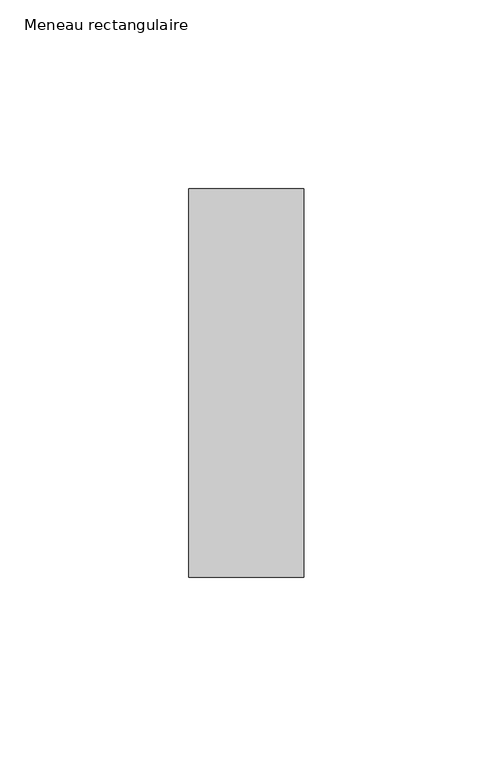
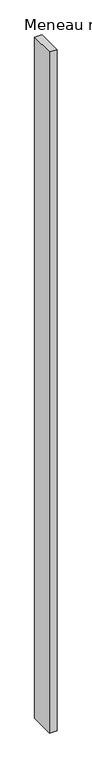
"""IFC4 building model written with IfcOpenShell, lengths in millimetres: member geometry, Meneau rectangulaire."""

from ifc_helpers import new_model, si_unit, frame, origin, place, context, project, spatial, polyline, outline, extrude, source, transform, mapped, element, save


def meneau_rectangulaire_e440c689(model_context):
    return source(origin(), model_context, "Body", "SweptSolid", [
        extrude(outline(polyline([(-15.3081898, 51.4988742), (15.1918102, 51.4988742), (15.1918102, -51.4925062), (-15.3081898, -51.4925062), (-15.3081898, 51.4988742)])), frame((0.0, 0.0, -2914.5973194), z_axis=(0.0, 0.0, 1.0), x_axis=(1.0, 0.0, 0.0)), (0.0, 0.0, 1.0), 2914.5973194),
    ])


if __name__ == "__main__":
    model = new_model("IFC4")
    model_context = context("Model", 3, world=origin())
    ifc_project = project(units=[si_unit("LENGTHUNIT", "METRE", prefix="MILLI")], contexts=[model_context])
    site = spatial("IfcSite", under=ifc_project)
    building = spatial("IfcBuilding", under=site)
    placement = place(None, origin())
    meneau_rectangulaire_shape = meneau_rectangulaire_e440c689(model_context)
    element("IfcMember", 1, ObjectType="Meneau rectangulaire", at=placement, inside=building, context=model_context, shape_type="MappedRepresentation", body=[
        mapped(meneau_rectangulaire_shape, transform((0.0, 0.0, 0.0), x_axis=(1.0, 0.0, 0.0), y_axis=(0.0, 1.0, 0.0), z_axis=(0.0, 0.0, 1.0))),
    ])
    save(model, "model.ifc")
